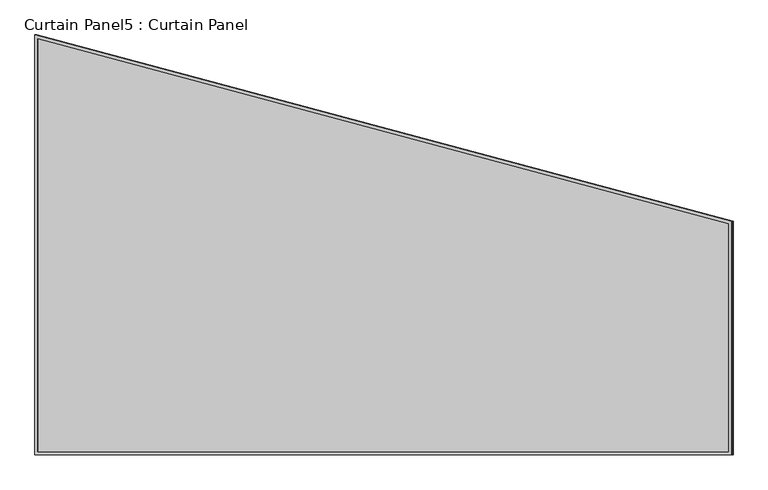
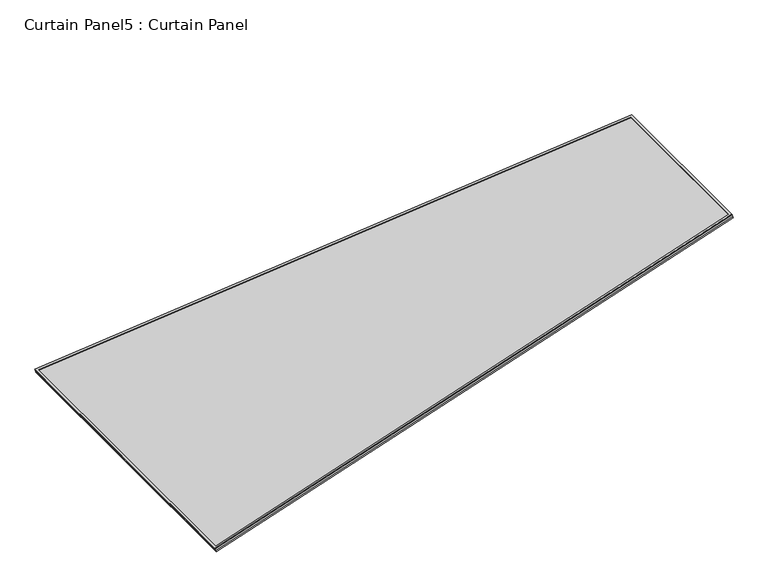
"""IFC4 building model written with IfcOpenShell, lengths in millimetres: plate geometry, Curtain Panel5 : Curtain Panel."""

from ifc_helpers import new_model, si_unit, frame, origin, place, context, project, spatial, polyline, outline, extrude, source, transform, mapped, element, save


def curtain_panel5_curtain_panel_a5dde109(model_context):
    return source(origin(), model_context, "Body", "SweptSolid", [
        extrude(outline(polyline([(903.4000632, -2842.2762639), (-722.5243658, -2842.2762639), (0.0, 0.0), (903.4000632, 0.0), (903.4000632, -2842.2762639)]), holes=[polyline([(892.0836089, -11.3164543), (8.7996567, -11.3164543), (-707.9712825, -2830.9598097), (892.0836089, -2830.9598097), (892.0836089, -11.3164543)])]), frame((5603.6059975, 3112.608735, 889.3498889), z_axis=(-0.31614582397379687, 0.0, 0.948710608132917), x_axis=(0.0, -1.0, 0.0)), (0.0, 0.0, 1.0), 4.9071015),
        extrude(outline(polyline([(903.4000632, -2842.276264), (-722.5243658, -2842.276264), (0.0, 0.0), (903.4000632, 0.0), (903.4000632, -2842.276264)]), holes=[polyline([(892.0836089, -11.3164543), (8.7996567, -11.3164543), (-707.9712825, -2830.9598097), (892.0836089, -2830.9598097), (892.0836089, -11.3164543)])]), frame((5609.1548796, 3112.608735, 872.6984486), z_axis=(-0.3161458239738109, 0.0, 0.9487106081329123), x_axis=(0.0, -1.0, 0.0)), (0.0, 0.0, 1.0), 4.7896951),
        extrude(outline(polyline([(-596.6683727, 0.0), (1029.2560563, 0.0), (306.7316905, -2842.276264), (-596.6683727, -2842.276264), (-596.6683727, 0.0)])), frame((2911.1429946, 2805.8770445, -21.3312882), z_axis=(-0.3161458239738053, 0.0, 0.9487106081329142), x_axis=(0.0, 1.0, 0.0)), (0.0, 0.0, 1.0), 12.7619588),
    ])


if __name__ == "__main__":
    model = new_model("IFC4")
    model_context = context("Model", 3, world=origin())
    ifc_project = project(units=[si_unit("LENGTHUNIT", "METRE", prefix="MILLI")], contexts=[model_context])
    site = spatial("IfcSite", under=ifc_project)
    building = spatial("IfcBuilding", under=site)
    placement = place(None, origin())
    curtain_panel5_curtain_panel_shape = curtain_panel5_curtain_panel_a5dde109(model_context)
    element("IfcPlate", 1, ObjectType="Curtain Panel5 : Curtain Panel", at=placement, inside=building, context=model_context, shape_type="MappedRepresentation", body=[
        mapped(curtain_panel5_curtain_panel_shape, transform((0.0, 0.0, 0.0), x_axis=(1.0, 0.0, 0.0), y_axis=(0.0, 1.0, 0.0), z_axis=(0.0, 0.0, 1.0))),
    ])
    save(model, "model.ifc")
